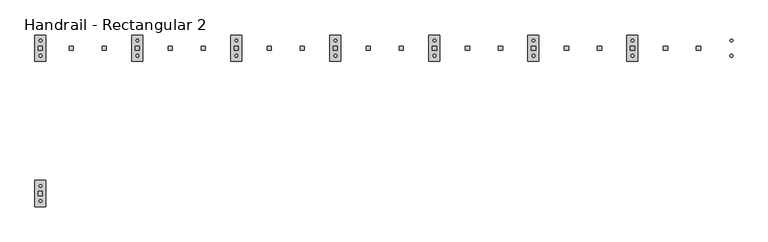
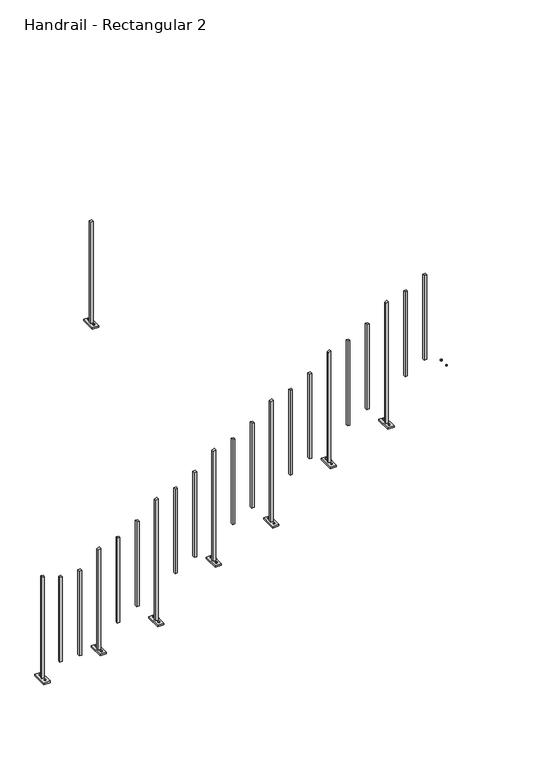
"""IFC4 building model written with IfcOpenShell, lengths in millimetres: railing geometry, Handrail - Rectangular 2."""

from ifc_helpers import new_model, si_unit, frame, origin, place, context, project, spatial, polyline, outline, extrude, faceted_brep, source, transform, mapped, element, save


def handrail_rectangular_2_8b9c386e(model_context):
    return source(origin(), model_context, "Body", "SolidModel", [
        extrude(outline(polyline([(-3203.8636891, -5966.722576), (-3200.1975149, -5960.372576), (-3192.8651665, -5960.372576), (-3189.1989923, -5966.722576), (-3192.8651665, -5973.072576), (-3200.1975149, -5973.072576), (-3203.8636891, -5966.722576)])), frame((0.0, 0.0, 1536.7), z_axis=(0.0, 0.0, 1.0), x_axis=(1.0, 0.0, 0.0)), (0.0, 0.0, 1.0), 6.35),
        extrude(outline(polyline([(-3203.8636891, -5896.872576), (-3200.1975149, -5890.522576), (-3192.8651665, -5890.522576), (-3189.1989923, -5896.872576), (-3192.8651665, -5903.222576), (-3200.1975149, -5903.222576), (-3203.8636891, -5896.872576)])), frame((0.0, 0.0, 1536.7), z_axis=(0.0, 0.0, 1.0), x_axis=(1.0, 0.0, 0.0)), (0.0, 0.0, 1.0), 6.35),
        extrude(outline(polyline([(-3358.187825, -5941.322576), (-3358.187825, -5922.272576), (-3339.137825, -5922.272576), (-3339.137825, -5941.322576), (-3358.187825, -5941.322576)])), frame((0.0, 0.0, 1622.6164922), z_axis=(0.0, 0.0, 1.0), x_axis=(1.0, 0.0, 0.0)), (0.0, 0.0, 1.0), 711.2),
        extrude(outline(polyline([(-3510.3193093, -5941.322576), (-3510.3193093, -5922.272576), (-3491.2693093, -5922.272576), (-3491.2693093, -5941.322576), (-3510.3193093, -5941.322576)])), frame((0.0, 0.0, 1538.0990009), z_axis=(0.0, 0.0, 1.0), x_axis=(1.0, 0.0, 0.0)), (0.0, 0.0, 1.0), 711.2),
        faceted_brep([(-3678.3257936, -5871.472576, 1185.3333333), (-3627.5257936, -5871.472576, 1185.3333333), (-3627.5257936, -5992.122576, 1185.3333333), (-3678.3257936, -5992.122576, 1185.3333333), (-3662.4507936, -5941.322576, 2202.9767306), (-3662.4507936, -5922.272576, 2202.9767306), (-3662.4507936, -5922.272576, 1198.0333333), (-3662.4507936, -5941.322576, 1198.0333333), (-3643.4007936, -5941.322576, 2213.560064), (-3643.4007936, -5941.322576, 1198.0333333), (-3643.4007936, -5922.272576, 2213.560064), (-3643.4007936, -5922.272576, 1198.0333333), (-3678.3257936, -5871.472576, 1198.0333333), (-3678.3257936, -5992.122576, 1198.0333333), (-3627.5257936, -5992.122576, 1198.0333333), (-3627.5257936, -5871.472576, 1198.0333333)], [[[0, 1, 2, 3]], [[4, 5, 6, 7]], [[8, 4, 7, 9]], [[10, 8, 9, 11]], [[5, 10, 11, 6]], [[5, 4, 8, 10]], [[12, 13, 14, 15], [7, 6, 11, 9]], [[13, 12, 0, 3]], [[14, 13, 3, 2]], [[15, 14, 2, 1]], [[12, 15, 1, 0]]]),
        extrude(outline(polyline([(-3660.258142, -5966.722576), (-3656.5919678, -5960.372576), (-3649.2596194, -5960.372576), (-3645.5934451, -5966.722576), (-3649.2596194, -5973.072576), (-3656.5919678, -5973.072576), (-3660.258142, -5966.722576)])), frame((0.0, 0.0, 1198.0333333), z_axis=(0.0, 0.0, 1.0), x_axis=(1.0, 0.0, 0.0)), (0.0, 0.0, 1.0), 6.35),
        extrude(outline(polyline([(-3660.258142, -5896.872576), (-3656.5919678, -5890.522576), (-3649.2596194, -5890.522576), (-3645.5934451, -5896.872576), (-3649.2596194, -5903.222576), (-3656.5919678, -5903.222576), (-3660.258142, -5896.872576)])), frame((0.0, 0.0, 1198.0333333), z_axis=(0.0, 0.0, 1.0), x_axis=(1.0, 0.0, 0.0)), (0.0, 0.0, 1.0), 6.35),
        extrude(outline(polyline([(-3814.5822779, -5941.322576), (-3814.5822779, -5922.272576), (-3795.5322779, -5922.272576), (-3795.5322779, -5941.322576), (-3814.5822779, -5941.322576)])), frame((0.0, 0.0, 1369.0640184), z_axis=(0.0, 0.0, 1.0), x_axis=(1.0, 0.0, 0.0)), (0.0, 0.0, 1.0), 711.2),
        extrude(outline(polyline([(-3966.7137622, -5941.322576), (-3966.7137622, -5922.272576), (-3947.6637622, -5922.272576), (-3947.6637622, -5941.322576), (-3966.7137622, -5941.322576)])), frame((0.0, 0.0, 1284.5465271), z_axis=(0.0, 0.0, 1.0), x_axis=(1.0, 0.0, 0.0)), (0.0, 0.0, 1.0), 711.2),
        faceted_brep([(-4134.7202465, -5871.472576, 1016.0), (-4083.9202465, -5871.472576, 1016.0), (-4083.9202465, -5992.122576, 1016.0), (-4134.7202465, -5992.122576, 1016.0), (-4118.8452465, -5941.322576, 1949.4242568), (-4118.8452465, -5922.272576, 1949.4242568), (-4118.8452465, -5922.272576, 1028.7), (-4118.8452465, -5941.322576, 1028.7), (-4099.7952465, -5941.322576, 1960.0075901), (-4099.7952465, -5941.322576, 1028.7), (-4099.7952465, -5922.272576, 1960.0075901), (-4099.7952465, -5922.272576, 1028.7), (-4134.7202465, -5871.472576, 1028.7), (-4134.7202465, -5992.122576, 1028.7), (-4083.9202465, -5992.122576, 1028.7), (-4083.9202465, -5871.472576, 1028.7)], [[[0, 1, 2, 3]], [[4, 5, 6, 7]], [[8, 4, 7, 9]], [[10, 8, 9, 11]], [[5, 10, 11, 6]], [[5, 4, 8, 10]], [[12, 13, 14, 15], [7, 6, 11, 9]], [[13, 12, 0, 3]], [[14, 13, 3, 2]], [[15, 14, 2, 1]], [[12, 15, 1, 0]]]),
        extrude(outline(polyline([(-4116.6525949, -5966.722576), (-4112.9864207, -5960.372576), (-4105.6540723, -5960.372576), (-4101.987898, -5966.722576), (-4105.6540723, -5973.072576), (-4112.9864207, -5973.072576), (-4116.6525949, -5966.722576)])), frame((0.0, 0.0, 1028.7), z_axis=(0.0, 0.0, 1.0), x_axis=(1.0, 0.0, 0.0)), (0.0, 0.0, 1.0), 6.35),
        extrude(outline(polyline([(-4116.6525949, -5896.872576), (-4112.9864207, -5890.522576), (-4105.6540723, -5890.522576), (-4101.987898, -5896.872576), (-4105.6540723, -5903.222576), (-4112.9864207, -5903.222576), (-4116.6525949, -5896.872576)])), frame((0.0, 0.0, 1028.7), z_axis=(0.0, 0.0, 1.0), x_axis=(1.0, 0.0, 0.0)), (0.0, 0.0, 1.0), 6.35),
        extrude(outline(polyline([(-4270.9767308, -5941.322576), (-4270.9767308, -5922.272576), (-4251.9267308, -5922.272576), (-4251.9267308, -5941.322576), (-4270.9767308, -5941.322576)])), frame((0.0, 0.0, 1115.5115445), z_axis=(0.0, 0.0, 1.0), x_axis=(1.0, 0.0, 0.0)), (0.0, 0.0, 1.0), 711.2),
        extrude(outline(polyline([(-4423.1082151, -5941.322576), (-4423.1082151, -5922.272576), (-4404.0582151, -5922.272576), (-4404.0582151, -5941.322576), (-4423.1082151, -5941.322576)])), frame((0.0, 0.0, 1030.9940533), z_axis=(0.0, 0.0, 1.0), x_axis=(1.0, 0.0, 0.0)), (0.0, 0.0, 1.0), 711.2),
        faceted_brep([(-4591.1146994, -5871.472576, 677.3333333), (-4540.3146994, -5871.472576, 677.3333333), (-4540.3146994, -5992.122576, 677.3333333), (-4591.1146994, -5992.122576, 677.3333333), (-4575.2396994, -5941.322576, 1695.871783), (-4575.2396994, -5922.272576, 1695.871783), (-4575.2396994, -5922.272576, 690.0333333), (-4575.2396994, -5941.322576, 690.0333333), (-4556.1896994, -5941.322576, 1706.4551163), (-4556.1896994, -5941.322576, 690.0333333), (-4556.1896994, -5922.272576, 1706.4551163), (-4556.1896994, -5922.272576, 690.0333333), (-4591.1146994, -5871.472576, 690.0333333), (-4591.1146994, -5992.122576, 690.0333333), (-4540.3146994, -5992.122576, 690.0333333), (-4540.3146994, -5871.472576, 690.0333333)], [[[0, 1, 2, 3]], [[4, 5, 6, 7]], [[8, 4, 7, 9]], [[10, 8, 9, 11]], [[5, 10, 11, 6]], [[5, 4, 8, 10]], [[12, 13, 14, 15], [7, 6, 11, 9]], [[13, 12, 0, 3]], [[14, 13, 3, 2]], [[15, 14, 2, 1]], [[12, 15, 1, 0]]]),
        extrude(outline(polyline([(-4573.0470478, -5966.722576), (-4569.3808736, -5960.372576), (-4562.0485251, -5960.372576), (-4558.3823509, -5966.722576), (-4562.0485251, -5973.072576), (-4569.3808736, -5973.072576), (-4573.0470478, -5966.722576)])), frame((0.0, 0.0, 690.0333333), z_axis=(0.0, 0.0, 1.0), x_axis=(1.0, 0.0, 0.0)), (0.0, 0.0, 1.0), 6.35),
        extrude(outline(polyline([(-4573.0470478, -5896.872576), (-4569.3808736, -5890.522576), (-4562.0485251, -5890.522576), (-4558.3823509, -5896.872576), (-4562.0485251, -5903.222576), (-4569.3808736, -5903.222576), (-4573.0470478, -5896.872576)])), frame((0.0, 0.0, 690.0333333), z_axis=(0.0, 0.0, 1.0), x_axis=(1.0, 0.0, 0.0)), (0.0, 0.0, 1.0), 6.35),
        extrude(outline(polyline([(-4727.3711836, -5941.322576), (-4727.3711836, -5922.272576), (-4708.3211836, -5922.272576), (-4708.3211836, -5941.322576), (-4727.3711836, -5941.322576)])), frame((0.0, 0.0, 861.9590707), z_axis=(0.0, 0.0, 1.0), x_axis=(1.0, 0.0, 0.0)), (0.0, 0.0, 1.0), 711.2),
        extrude(outline(polyline([(-4879.5026679, -5941.322576), (-4879.5026679, -5922.272576), (-4860.4526679, -5922.272576), (-4860.4526679, -5941.322576), (-4879.5026679, -5941.322576)])), frame((0.0, 0.0, 777.4415794), z_axis=(0.0, 0.0, 1.0), x_axis=(1.0, 0.0, 0.0)), (0.0, 0.0, 1.0), 711.2),
        faceted_brep([(-5047.5091522, -5871.472576, 508.0), (-4996.7091522, -5871.472576, 508.0), (-4996.7091522, -5992.122576, 508.0), (-5047.5091522, -5992.122576, 508.0), (-5031.6341522, -5941.322576, 1442.3193091), (-5031.6341522, -5922.272576, 1442.3193091), (-5031.6341522, -5922.272576, 520.7), (-5031.6341522, -5941.322576, 520.7), (-5012.5841522, -5941.322576, 1452.9026425), (-5012.5841522, -5941.322576, 520.7), (-5012.5841522, -5922.272576, 1452.9026425), (-5012.5841522, -5922.272576, 520.7), (-5047.5091522, -5871.472576, 520.7), (-5047.5091522, -5992.122576, 520.7), (-4996.7091522, -5992.122576, 520.7), (-4996.7091522, -5871.472576, 520.7)], [[[0, 1, 2, 3]], [[4, 5, 6, 7]], [[8, 4, 7, 9]], [[10, 8, 9, 11]], [[5, 10, 11, 6]], [[5, 4, 8, 10]], [[12, 13, 14, 15], [7, 6, 11, 9]], [[13, 12, 0, 3]], [[14, 13, 3, 2]], [[15, 14, 2, 1]], [[12, 15, 1, 0]]]),
        extrude(outline(polyline([(-5029.4415007, -5966.722576), (-5025.7753265, -5960.372576), (-5018.442978, -5960.372576), (-5014.7768038, -5966.722576), (-5018.442978, -5973.072576), (-5025.7753265, -5973.072576), (-5029.4415007, -5966.722576)])), frame((0.0, 0.0, 520.7), z_axis=(0.0, 0.0, 1.0), x_axis=(1.0, 0.0, 0.0)), (0.0, 0.0, 1.0), 6.35),
        extrude(outline(polyline([(-5029.4415007, -5896.872576), (-5025.7753265, -5890.522576), (-5018.442978, -5890.522576), (-5014.7768038, -5896.872576), (-5018.442978, -5903.222576), (-5025.7753265, -5903.222576), (-5029.4415007, -5896.872576)])), frame((0.0, 0.0, 520.7), z_axis=(0.0, 0.0, 1.0), x_axis=(1.0, 0.0, 0.0)), (0.0, 0.0, 1.0), 6.35),
        extrude(outline(polyline([(-5183.7656365, -5941.322576), (-5183.7656365, -5922.272576), (-5164.7156365, -5922.272576), (-5164.7156365, -5941.322576), (-5183.7656365, -5941.322576)])), frame((0.0, 0.0, 608.4065969), z_axis=(0.0, 0.0, 1.0), x_axis=(1.0, 0.0, 0.0)), (0.0, 0.0, 1.0), 711.2),
        extrude(outline(polyline([(-5335.8971208, -5941.322576), (-5335.8971208, -5922.272576), (-5316.8471208, -5922.272576), (-5316.8471208, -5941.322576), (-5335.8971208, -5941.322576)])), frame((0.0, 0.0, 523.8891056), z_axis=(0.0, 0.0, 1.0), x_axis=(1.0, 0.0, 0.0)), (0.0, 0.0, 1.0), 711.2),
        faceted_brep([(-5503.9036051, -5871.472576, 169.3333333), (-5453.1036051, -5871.472576, 169.3333333), (-5453.1036051, -5992.122576, 169.3333333), (-5503.9036051, -5992.122576, 169.3333333), (-5488.0286051, -5941.322576, 1188.7668353), (-5488.0286051, -5922.272576, 1188.7668353), (-5488.0286051, -5922.272576, 182.0333333), (-5488.0286051, -5941.322576, 182.0333333), (-5468.9786051, -5941.322576, 1199.3501686), (-5468.9786051, -5941.322576, 182.0333333), (-5468.9786051, -5922.272576, 1199.3501686), (-5468.9786051, -5922.272576, 182.0333333), (-5503.9036051, -5871.472576, 182.0333333), (-5503.9036051, -5992.122576, 182.0333333), (-5453.1036051, -5992.122576, 182.0333333), (-5453.1036051, -5871.472576, 182.0333333)], [[[0, 1, 2, 3]], [[4, 5, 6, 7]], [[8, 4, 7, 9]], [[10, 8, 9, 11]], [[5, 10, 11, 6]], [[5, 4, 8, 10]], [[12, 13, 14, 15], [7, 6, 11, 9]], [[13, 12, 0, 3]], [[14, 13, 3, 2]], [[15, 14, 2, 1]], [[12, 15, 1, 0]]]),
        extrude(outline(polyline([(-5485.8359536, -5966.722576), (-5482.1697793, -5960.372576), (-5474.8374309, -5960.372576), (-5471.1712567, -5966.722576), (-5474.8374309, -5973.072576), (-5482.1697793, -5973.072576), (-5485.8359536, -5966.722576)])), frame((0.0, 0.0, 182.0333333), z_axis=(0.0, 0.0, 1.0), x_axis=(1.0, 0.0, 0.0)), (0.0, 0.0, 1.0), 6.35),
        extrude(outline(polyline([(-5485.8359536, -5896.872576), (-5482.1697793, -5890.522576), (-5474.8374309, -5890.522576), (-5471.1712567, -5896.872576), (-5474.8374309, -5903.222576), (-5482.1697793, -5903.222576), (-5485.8359536, -5896.872576)])), frame((0.0, 0.0, 182.0333333), z_axis=(0.0, 0.0, 1.0), x_axis=(1.0, 0.0, 0.0)), (0.0, 0.0, 1.0), 6.35),
        extrude(outline(polyline([(-5640.1600894, -5941.322576), (-5640.1600894, -5922.272576), (-5621.1100894, -5922.272576), (-5621.1100894, -5941.322576), (-5640.1600894, -5941.322576)])), frame((0.0, 0.0, 354.854123), z_axis=(0.0, 0.0, 1.0), x_axis=(1.0, 0.0, 0.0)), (0.0, 0.0, 1.0), 711.2),
        extrude(outline(polyline([(-5792.2915737, -5941.322576), (-5792.2915737, -5922.272576), (-5773.2415737, -5922.272576), (-5773.2415737, -5941.322576), (-5792.2915737, -5941.322576)])), frame((0.0, 0.0, 270.3366318), z_axis=(0.0, 0.0, 1.0), x_axis=(1.0, 0.0, 0.0)), (0.0, 0.0, 1.0), 711.2),
        faceted_brep([(-5960.298058, -5871.472576, 84.2191405), (-5909.498058, -5871.472576, 84.2191405), (-5909.498058, -5992.122576, 84.2191405), (-5960.298058, -5992.122576, 84.2191405), (-5944.423058, -5941.322576, 935.2143615), (-5944.423058, -5922.272576, 935.2143615), (-5944.423058, -5922.272576, 96.9191405), (-5944.423058, -5941.322576, 96.9191405), (-5925.373058, -5941.322576, 945.7976948), (-5925.373058, -5941.322576, 96.9191405), (-5925.373058, -5922.272576, 945.7976948), (-5925.373058, -5922.272576, 96.9191405), (-5960.298058, -5871.472576, 96.9191405), (-5960.298058, -5992.122576, 96.9191405), (-5909.498058, -5992.122576, 96.9191405), (-5909.498058, -5871.472576, 96.9191405)], [[[0, 1, 2, 3]], [[4, 5, 6, 7]], [[8, 4, 7, 9]], [[10, 8, 9, 11]], [[5, 10, 11, 6]], [[5, 4, 8, 10]], [[12, 13, 14, 15], [7, 6, 11, 9]], [[13, 12, 0, 3]], [[14, 13, 3, 2]], [[15, 14, 2, 1]], [[12, 15, 1, 0]]]),
        extrude(outline(polyline([(-5942.2304064, -5966.722576), (-5938.5642322, -5960.372576), (-5931.2318838, -5960.372576), (-5927.5657096, -5966.722576), (-5931.2318838, -5973.072576), (-5938.5642322, -5973.072576), (-5942.2304064, -5966.722576)])), frame((0.0, 0.0, 96.9191405), z_axis=(0.0, 0.0, 1.0), x_axis=(1.0, 0.0, 0.0)), (0.0, 0.0, 1.0), 6.35),
        extrude(outline(polyline([(-5942.2304064, -5896.872576), (-5938.5642322, -5890.522576), (-5931.2318838, -5890.522576), (-5927.5657096, -5896.872576), (-5931.2318838, -5903.222576), (-5938.5642322, -5903.222576), (-5942.2304064, -5896.872576)])), frame((0.0, 0.0, 96.9191405), z_axis=(0.0, 0.0, 1.0), x_axis=(1.0, 0.0, 0.0)), (0.0, 0.0, 1.0), 6.35),
        extrude(outline(polyline([(-6096.5545423, -5941.322576), (-6096.5545423, -5922.272576), (-6077.5045423, -5922.272576), (-6077.5045423, -5941.322576), (-6096.5545423, -5941.322576)])), frame((0.0, 0.0, 101.6), z_axis=(0.0, 0.0, 1.0), x_axis=(1.0, 0.0, 0.0)), (0.0, 0.0, 1.0), 711.2),
        extrude(outline(polyline([(-6248.6860266, -5941.322576), (-6248.6860266, -5922.272576), (-6229.6360266, -5922.272576), (-6229.6360266, -5941.322576), (-6248.6860266, -5941.322576)])), frame((0.0, 0.0, 101.6), z_axis=(0.0, 0.0, 1.0), x_axis=(1.0, 0.0, 0.0)), (0.0, 0.0, 1.0), 711.2),
        faceted_brep([(-6356.3675109, -6662.5504865, 3386.6666667), (-6407.1675109, -6662.5504865, 3386.6666667), (-6407.1675109, -6541.9004865, 3386.6666667), (-6356.3675109, -6541.9004865, 3386.6666667), (-6372.2425109, -6592.7004865, 4250.2666667), (-6372.2425109, -6611.7504865, 4250.2666667), (-6372.2425109, -6611.7504865, 3399.3666667), (-6372.2425109, -6592.7004865, 3399.3666667), (-6391.2925109, -6592.7004865, 4250.2666667), (-6391.2925109, -6592.7004865, 3399.3666667), (-6391.2925109, -6611.7504865, 4250.2666667), (-6391.2925109, -6611.7504865, 3399.3666667), (-6356.3675109, -6662.5504865, 3399.3666667), (-6356.3675109, -6541.9004865, 3399.3666667), (-6407.1675109, -6541.9004865, 3399.3666667), (-6407.1675109, -6662.5504865, 3399.3666667)], [[[0, 1, 2, 3]], [[4, 5, 6, 7]], [[8, 4, 7, 9]], [[10, 8, 9, 11]], [[5, 10, 11, 6]], [[5, 4, 8, 10]], [[12, 13, 14, 15], [7, 6, 11, 9]], [[13, 12, 0, 3]], [[14, 13, 3, 2]], [[15, 14, 2, 1]], [[12, 15, 1, 0]]]),
        extrude(outline(polyline([(-6374.4351625, -6567.3004865), (-6378.1013367, -6573.6504865), (-6385.4336851, -6573.6504865), (-6389.0998593, -6567.3004865), (-6385.4336851, -6560.9504865), (-6378.1013367, -6560.9504865), (-6374.4351625, -6567.3004865)])), frame((0.0, 0.0, 3399.3666667), z_axis=(0.0, 0.0, 1.0), x_axis=(1.0, 0.0, 0.0)), (0.0, 0.0, 1.0), 6.35),
        extrude(outline(polyline([(-6374.4351625, -6637.1504865), (-6378.1013367, -6643.5004865), (-6385.4336851, -6643.5004865), (-6389.0998593, -6637.1504865), (-6385.4336851, -6630.8004865), (-6378.1013367, -6630.8004865), (-6374.4351625, -6637.1504865)])), frame((0.0, 0.0, 3399.3666667), z_axis=(0.0, 0.0, 1.0), x_axis=(1.0, 0.0, 0.0)), (0.0, 0.0, 1.0), 6.35),
        faceted_brep([(-6407.1675109, -5871.472576, 0.0), (-6356.3675109, -5871.472576, 0.0), (-6356.3675109, -5992.122576, 0.0), (-6407.1675109, -5992.122576, 0.0), (-6391.2925109, -5941.322576, 863.6), (-6391.2925109, -5922.272576, 863.6), (-6391.2925109, -5922.272576, 12.7), (-6391.2925109, -5941.322576, 12.7), (-6372.2425109, -5941.322576, 863.6), (-6372.2425109, -5941.322576, 12.7), (-6372.2425109, -5922.272576, 863.6), (-6372.2425109, -5922.272576, 12.7), (-6407.1675109, -5871.472576, 12.7), (-6407.1675109, -5992.122576, 12.7), (-6356.3675109, -5992.122576, 12.7), (-6356.3675109, -5871.472576, 12.7)], [[[0, 1, 2, 3]], [[4, 5, 6, 7]], [[8, 4, 7, 9]], [[10, 8, 9, 11]], [[5, 10, 11, 6]], [[5, 4, 8, 10]], [[12, 13, 14, 15], [7, 6, 11, 9]], [[13, 12, 0, 3]], [[14, 13, 3, 2]], [[15, 14, 2, 1]], [[12, 15, 1, 0]]]),
        extrude(outline(polyline([(-6389.0998593, -5966.722576), (-6385.4336851, -5960.372576), (-6378.1013367, -5960.372576), (-6374.4351625, -5966.722576), (-6378.1013367, -5973.072576), (-6385.4336851, -5973.072576), (-6389.0998593, -5966.722576)])), frame((0.0, 0.0, 12.7), z_axis=(0.0, 0.0, 1.0), x_axis=(1.0, 0.0, 0.0)), (0.0, 0.0, 1.0), 6.35),
        extrude(outline(polyline([(-6389.0998593, -5896.872576), (-6385.4336851, -5890.522576), (-6378.1013367, -5890.522576), (-6374.4351625, -5896.872576), (-6378.1013367, -5903.222576), (-6385.4336851, -5903.222576), (-6389.0998593, -5896.872576)])), frame((0.0, 0.0, 12.7), z_axis=(0.0, 0.0, 1.0), x_axis=(1.0, 0.0, 0.0)), (0.0, 0.0, 1.0), 6.35),
    ])


if __name__ == "__main__":
    model = new_model("IFC4")
    model_context = context("Model", 3, world=origin())
    ifc_project = project(units=[si_unit("LENGTHUNIT", "METRE", prefix="MILLI")], contexts=[model_context])
    site = spatial("IfcSite", under=ifc_project)
    building = spatial("IfcBuilding", under=site)
    placement = place(None, origin())
    handrail_rectangular_2_shape = handrail_rectangular_2_8b9c386e(model_context)
    element("IfcRailing", 1, ObjectType="Handrail - Rectangular 2", at=placement, inside=building, context=model_context, shape_type="MappedRepresentation", body=[
        mapped(handrail_rectangular_2_shape, transform((0.0, 0.0, 0.0), x_axis=(1.0, 0.0, 0.0), y_axis=(0.0, 1.0, 0.0), z_axis=(0.0, 0.0, 1.0))),
    ])
    save(model, "model.ifc")
